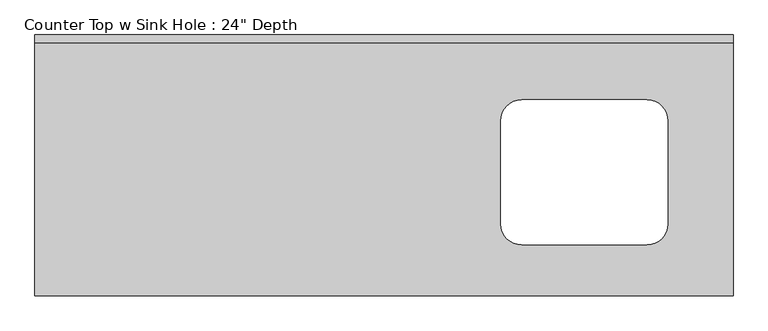
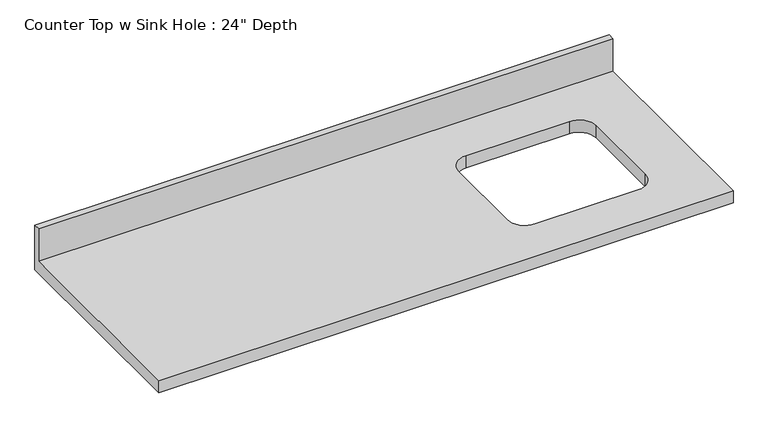
"""IFC4 building model written with IfcOpenShell, lengths in millimetres: furniture geometry."""

import ifcopenshell
import ifcopenshell.guid

model = None  # the IFC model being written
_history = None  # IfcOwnerHistory: only IFC2X3 demands one
_inside = {}  # id of a spatial element -> (the spatial element, [elements in it])
_under = {}  # id of a project, library or spatial element -> (it, [spatial elements below it])
_declared = {}  # id of a project -> (the project, [libraries it declares])
_typed = {}  # id of a type object -> (the type object, [elements of that type])
_made_of = {}  # id of a material, layer set ... -> (it, [elements and type objects made of it])


def new_model(schema):
    """Start an empty IFC model of exactly this schema.

    Asked for "IFC4X3", IfcOpenShell would pick the latest addendum, in which some entities
    have other attributes; the version numbers below select the first issue.
    IFC2X3 requires an IfcOwnerHistory on every rooted entity: one is made here for all.
    """
    global model, _history
    if schema == "IFC4X3":
        model = ifcopenshell.file(schema_version=(4, 3, 0, 0))
    else:
        model = ifcopenshell.file(schema=schema)
    _inside.clear()
    _under.clear()
    _declared.clear()
    _typed.clear()
    _made_of.clear()
    _history = None
    if model.schema == "IFC2X3":
        org = make("IfcOrganization", Name="unknown")
        user = make(
            "IfcPersonAndOrganization",
            ThePerson=make("IfcPerson", FamilyName="unknown"),
            TheOrganization=org,
        )
        app = make(
            "IfcApplication",
            ApplicationDeveloper=org,
            Version="unknown",
            ApplicationFullName="unknown",
            ApplicationIdentifier="unknown",
        )
        _history = make(
            "IfcOwnerHistory",
            OwningUser=user,
            OwningApplication=app,
            ChangeAction="ADDED",
            CreationDate=0,
        )
    return model


def make(cls, **values):
    """One entity of the class cls with the attributes given. An attribute that is None is left unset."""
    return model.create_entity(
        cls, **{name: value for name, value in values.items() if value is not None}
    )


def rooted(cls, **values):
    """An entity with a GlobalId (a new one), such as an element, a storey or a relation."""
    return make(cls, GlobalId=ifcopenshell.guid.new(), OwnerHistory=_history, **values)


def si_unit(unit_type, name, prefix=None):
    """IfcSIUnit, for example si_unit("LENGTHUNIT", "METRE", prefix="MILLI")."""
    return make("IfcSIUnit", UnitType=unit_type, Prefix=prefix, Name=name)


def assignment(units):
    """IfcUnitAssignment: the units of a project."""
    return None if units is None else make("IfcUnitAssignment", Units=units)


def point(xyz):
    """IfcCartesianPoint."""
    return None if xyz is None else make("IfcCartesianPoint", Coordinates=xyz)


def direction(xyz):
    """IfcDirection."""
    return None if xyz is None else make("IfcDirection", DirectionRatios=xyz)


def frame(location, z_axis=None, x_axis=None):
    """IfcAxis2Placement3D, a coordinate frame: its origin and axes. An axis left out is left unset."""
    return make(
        "IfcAxis2Placement3D",
        Location=point(location),
        Axis=direction(z_axis),
        RefDirection=direction(x_axis),
    )


def origin():
    """The frame at (0, 0, 0) with its axes left unset."""
    return frame((0.0, 0.0, 0.0))


def place(relative_to, where):
    """IfcLocalPlacement: puts the frame where relative to a parent placement (None: the world)."""
    return make(
        "IfcLocalPlacement", PlacementRelTo=relative_to, RelativePlacement=where
    )


def context(
    kind, dimensions, precision=None, world=None, true_north=None, identifier=None
):
    """IfcGeometricRepresentationContext, for example the 3D "Model" context."""
    return make(
        "IfcGeometricRepresentationContext",
        ContextIdentifier=identifier,
        ContextType=kind,
        CoordinateSpaceDimension=dimensions,
        Precision=precision,
        WorldCoordinateSystem=world,
        TrueNorth=true_north,
    )


def project(units=None, contexts=None):
    """IfcProject with its units and contexts."""
    return rooted(
        "IfcProject",
        Name="project",
        RepresentationContexts=contexts,
        UnitsInContext=assignment(units),
    )


def spatial(cls, under=None, at=None, **own):
    """A site, building, storey or space (cls), placed at a placement, below another one or the project."""
    s = rooted(cls, ObjectPlacement=at, **own)
    if under is not None:
        _under.setdefault(under.id(), (under, []))[1].append(s)
    return s


def polyline(points):
    """IfcPolyline through the points."""
    return make("IfcPolyline", Points=[point(p) for p in points])


def circle_curve(where, radius):
    """IfcCircle in the frame where."""
    return make("IfcCircle", Position=where, Radius=radius)


def shape(context_of_items, identifier, shape_type, items):
    """IfcShapeRepresentation: the items that make up one representation, for example the "Body"."""
    return make(
        "IfcShapeRepresentation",
        ContextOfItems=context_of_items,
        RepresentationIdentifier=identifier,
        RepresentationType=shape_type,
        Items=items,
    )


def source(mapping_origin, context_of_items, identifier, shape_type, items):
    """IfcRepresentationMap: a shape defined once, which mapped items show again and again."""
    return make(
        "IfcRepresentationMap",
        MappingOrigin=mapping_origin,
        MappedRepresentation=shape(context_of_items, identifier, shape_type, items),
    )


def transform(
    local_origin,
    x_axis=None,
    y_axis=None,
    z_axis=None,
    scale=None,
    scale2=None,
    scale3=None,
    uniform=True,
):
    """IfcCartesianTransformationOperator3D, or its non-uniform kind. x_axis, y_axis, z_axis: its Axis1, 2, 3."""
    if uniform:
        return make(
            "IfcCartesianTransformationOperator3D",
            Axis1=direction(x_axis),
            Axis2=direction(y_axis),
            LocalOrigin=point(local_origin),
            Scale=scale,
            Axis3=direction(z_axis),
        )
    return make(
        "IfcCartesianTransformationOperator3DnonUniform",
        Axis1=direction(x_axis),
        Axis2=direction(y_axis),
        LocalOrigin=point(local_origin),
        Scale=scale,
        Axis3=direction(z_axis),
        Scale2=scale2,
        Scale3=scale3,
    )


def mapped(mapping_source, mapping_target):
    """IfcMappedItem: shows the shape of a source again, moved by a transform."""
    return make(
        "IfcMappedItem", MappingSource=mapping_source, MappingTarget=mapping_target
    )


def made_of(thing, what):
    """Note that an element or type object is made of a material, layer set ...; save() writes the relation."""
    if what is not None:
        _made_of.setdefault(what.id(), (what, []))[1].append(thing)
    return thing


def element(
    cls,
    number,
    at=None,
    inside=None,
    cuts=None,
    type_object=None,
    material=None,
    context=None,
    identifier="Body",
    shape_type=None,
    held_by="IfcProductDefinitionShape",
    body=None,
    shapes=None,
    **own,
):
    """One element of the class cls, such as IfcWall. Its Tag is "e" and its number.

    at: its placement. inside: the storey or other place that contains it. cuts: it is an
    opening in that element (IfcRelVoidsElement). A single representation is given by context,
    identifier, shape_type and body (its items); several are given by shapes. held_by: the class
    of the entity that holds the representations. save() writes the other relations.
    """
    e = rooted(cls, Tag="e%d" % number, ObjectPlacement=at, **own)
    if body is not None:
        shapes = [shape(context, identifier, shape_type, body)]
    if shapes is not None:
        e.Representation = make(held_by, Representations=shapes)
    if inside is not None:
        _inside.setdefault(inside.id(), (inside, []))[1].append(e)
    if cuts is not None:
        rooted(
            "IfcRelVoidsElement", RelatingBuildingElement=cuts, RelatedOpeningElement=e
        )
    if type_object is not None:
        _typed.setdefault(type_object.id(), (type_object, []))[1].append(e)
    return made_of(e, material)


def aggregate(whole, parts):
    """IfcRelAggregates: a whole, such as a stair, and the parts it consists of."""
    return rooted("IfcRelAggregates", RelatingObject=whole, RelatedObjects=parts)


def save(model, path):
    """Write the relations noted so far, then the file.

    IfcRelAggregates (storeys below a building ...), IfcRelContainedInSpatialStructure (elements
    in a storey), IfcRelDefinesByType, IfcRelAssociatesMaterial and IfcRelDeclares: one each for
    every whole, place, type object, material and project.
    """
    for whole, parts in _under.values():
        aggregate(whole, parts)
    for where, things in _inside.values():
        rooted(
            "IfcRelContainedInSpatialStructure",
            RelatedElements=things,
            RelatingStructure=where,
        )
    for kind, things in _typed.values():
        rooted("IfcRelDefinesByType", RelatedObjects=things, RelatingType=kind)
    for what, things in _made_of.values():
        rooted("IfcRelAssociatesMaterial", RelatedObjects=things, RelatingMaterial=what)
    for by, libraries in _declared.values():
        rooted("IfcRelDeclares", RelatingContext=by, RelatedDefinitions=libraries)
    model.write(path)


def plane_surface(at):
    """IfcPlane: the flat surface through the origin of the frame at, square to its z axis."""
    return make("IfcPlane", Position=at)


def revolved_surface(curve, axis_point, axis_direction):
    """IfcSurfaceOfRevolution: the curve turned about the line through axis_point along axis_direction."""
    return make(
        "IfcSurfaceOfRevolution",
        SweptCurve=make("IfcArbitraryOpenProfileDef", ProfileType="CURVE", Curve=curve),
        AxisPosition=make("IfcAxis1Placement", Location=point(axis_point), Axis=direction(axis_direction)),
    )


def advanced_brep(points, edges, surfaces, faces):
    """IfcAdvancedBrep: a solid bounded by faces that lie on surfaces and meet in shared edges.

    An edge is (start, end): straight between two places in points (the first is 0);
    or (start, end, curve); or (start, end, curve, False) where it runs against its curve.
    A face is (place in surfaces, loops), or (place, loops, False) where it looks against
    its surface's normal. A loop lists edges by number (the first is 1), with a minus sign
    where the edge is run from its end to its start. The first loop is the outer one.
    """
    corners = [point(p) for p in points]
    vertices = [make("IfcVertexPoint", VertexGeometry=c) for c in corners]
    made = []
    for start, end, *more in edges:
        made.append(
            make(
                "IfcEdgeCurve",
                EdgeStart=vertices[start],
                EdgeEnd=vertices[end],
                EdgeGeometry=more[0] if more else make("IfcPolyline", Points=[corners[start], corners[end]]),
                SameSense=more[1] if len(more) > 1 else True,
            )
        )
    hull = []
    for where, loops, *sense in faces:
        bounds = []
        for j, loop in enumerate(loops):
            ring = [make("IfcOrientedEdge", EdgeElement=made[abs(k) - 1], Orientation=k > 0) for k in loop]
            bounds.append(
                make(
                    "IfcFaceOuterBound" if j == 0 else "IfcFaceBound",
                    Bound=make("IfcEdgeLoop", EdgeList=ring),
                    Orientation=True,
                )
            )
        hull.append(make("IfcAdvancedFace", Bounds=bounds, FaceSurface=surfaces[where], SameSense=sense[0] if sense else True))
    return make("IfcAdvancedBrep", Outer=make("IfcClosedShell", CfsFaces=hull))


def furniture_a79c9d1e(model_context):
    return source(origin(), model_context, "Body", "AdvancedBrep", [
        advanced_brep(
        [(-1200.4622951, -635.0, 914.4), (498.1627049, -635.0, 914.4), (498.1627049, -19.05, 914.4), (-1200.4622951, -19.05, 914.4), (-16.1872951, -158.1017627, 914.4), (288.6127049, -158.1017627, 914.4), (339.4127049, -208.9017627, 914.4), (339.4127049, -459.8540342, 914.4), (288.6127049, -510.6540342, 914.4), (-16.1872951, -510.6540342, 914.4), (-66.9872951, -459.8540342, 914.4), (-66.9872951, -208.9017627, 914.4), (498.1627049, 0.0, 876.3), (498.1627049, -635.0, 876.3), (-1200.4622951, -635.0, 876.3), (-1200.4622951, 0.0, 876.3), (288.6127049, -158.1017627, 876.3), (-16.1872951, -158.1017627, 876.3), (-66.9872951, -208.9017627, 876.3), (-66.9872951, -459.8540342, 876.3), (-16.1872951, -510.6540342, 876.3), (288.6127049, -510.6540342, 876.3), (339.4127049, -459.8540342, 876.3), (339.4127049, -208.9017627, 876.3), (-1200.4622951, 0.0, 1016.0), (498.1627049, 0.0, 1016.0), (-1200.4622951, -19.05, 1016.0), (498.1627049, -19.05, 1016.0)],
        [
            (0, 1),
            (1, 2),
            (2, 3),
            (3, 0),
            (4, 5),
            (5, 6, circle_curve(frame((288.6127049, -208.9017627, 914.4), z_axis=(0.0, 0.0, -1.0), x_axis=(1.0, 0.0, 0.0)), 50.8)),
            (6, 7),
            (7, 8, circle_curve(frame((288.6127049, -459.8540342, 914.4), z_axis=(0.0, 0.0, -1.0), x_axis=(1.0, 0.0, 0.0)), 50.8)),
            (8, 9),
            (9, 10, circle_curve(frame((-16.1872951, -459.8540342, 914.4), z_axis=(0.0, 0.0, -1.0), x_axis=(1.0, 0.0, 0.0)), 50.8)),
            (10, 11),
            (11, 4, circle_curve(frame((-16.1872951, -208.9017627, 914.4), z_axis=(0.0, 0.0, -1.0), x_axis=(1.0, 0.0, 0.0)), 50.8)),
            (12, 13),
            (13, 14),
            (14, 15),
            (15, 12),
            (16, 17),
            (17, 18, circle_curve(frame((-16.1872951, -208.9017627, 876.3), z_axis=(0.0, 0.0, 1.0), x_axis=(1.0, 0.0, 0.0)), 50.8)),
            (18, 19),
            (19, 20, circle_curve(frame((-16.1872951, -459.8540342, 876.3), z_axis=(0.0, 0.0, 1.0), x_axis=(1.0, 0.0, 0.0)), 50.8)),
            (20, 21),
            (21, 22, circle_curve(frame((288.6127049, -459.8540342, 876.3), z_axis=(0.0, 0.0, 1.0), x_axis=(1.0, 0.0, 0.0)), 50.8)),
            (22, 23),
            (23, 16, circle_curve(frame((288.6127049, -208.9017627, 876.3), z_axis=(0.0, 0.0, 1.0), x_axis=(1.0, 0.0, 0.0)), 50.8)),
            (15, 24),
            (24, 25),
            (25, 12),
            (14, 0),
            (3, 26),
            (26, 24),
            (13, 1),
            (25, 27),
            (27, 2),
            (26, 27),
            (4, 17),
            (16, 5),
            (11, 18),
            (10, 19),
            (9, 20),
            (8, 21),
            (7, 22),
            (6, 23),
        ],
        [
            plane_surface(frame((-1200.4622951, 0.0, 914.4), z_axis=(0.0, 0.0, 1.0), x_axis=(-1.0, 0.0, 0.0))),
            plane_surface(frame((-1200.4622951, 0.0, 876.3), z_axis=(0.0, 0.0, -1.0), x_axis=(1.0, 0.0, 0.0))),
            plane_surface(frame((498.1627049, 0.0, 914.4), z_axis=(0.0, 1.0, 0.0), x_axis=(0.0, 0.0, -1.0))),
            plane_surface(frame((-1200.4622951, 0.0, 914.4), z_axis=(-1.0, 0.0, 0.0), x_axis=(0.0, 0.0, -1.0))),
            plane_surface(frame((-1200.4622951, -635.0, 914.4), z_axis=(0.0, -1.0, 0.0), x_axis=(0.0, 0.0, -1.0))),
            plane_surface(frame((498.1627049, -635.0, 914.4), z_axis=(1.0, 0.0, 0.0), x_axis=(0.0, 0.0, -1.0))),
            plane_surface(frame((-1200.4622951, 0.0, 1016.0), z_axis=(0.0, 0.0, 1.0), x_axis=(0.0, -1.0, 0.0))),
            plane_surface(frame((-1200.4622951, -19.05, 1016.0), z_axis=(0.0, -1.0, 0.0), x_axis=(0.0, 0.0, -1.0))),
            plane_surface(frame((288.6127049, -158.1017627, 914.4), z_axis=(0.0, -1.0, 0.0), x_axis=(0.0, 0.0, -1.0))),
            revolved_surface(polyline([(34.6127049, -208.9017627, 914.4), (34.6127049, -208.9017627, 876.3)]), (-16.1872951, -208.9017627, 876.3), (0.0, 0.0, 1.0)),
            plane_surface(frame((-66.9872951, -208.9017627, 914.4), z_axis=(1.0, 0.0, 0.0), x_axis=(0.0, 0.0, -1.0))),
            revolved_surface(polyline([(34.6127049, -459.8540342, 914.4), (34.6127049, -459.8540342, 876.3)]), (-16.1872951, -459.8540342, 876.3), (0.0, 0.0, 1.0)),
            plane_surface(frame((-16.1872951, -510.6540342, 914.4), z_axis=(0.0, 1.0, 0.0), x_axis=(0.0, 0.0, -1.0))),
            revolved_surface(polyline([(339.4127049, -459.8540342, 914.4), (339.4127049, -459.8540342, 876.3)]), (288.6127049, -459.8540342, 876.3), (0.0, 0.0, 1.0)),
            plane_surface(frame((339.4127049, -459.8540342, 914.4), z_axis=(-1.0, 0.0, 0.0), x_axis=(0.0, 0.0, -1.0))),
            revolved_surface(polyline([(339.4127049, -208.9017627, 914.4), (339.4127049, -208.9017627, 876.3)]), (288.6127049, -208.9017627, 876.3), (0.0, 0.0, 1.0)),
        ],
        [
            (0, [[1, 2, 3, 4], [5, 6, 7, 8, 9, 10, 11, 12]]),
            (1, [[13, 14, 15, 16], [17, 18, 19, 20, 21, 22, 23, 24]]),
            (2, [[-16, 25, 26, 27]]),
            (3, [[-15, 28, -4, 29, 30, -25]]),
            (4, [[-1, -28, -14, 31]]),
            (5, [[-13, -27, 32, 33, -2, -31]]),
            (6, [[-30, 34, -32, -26]]),
            (7, [[-34, -29, -3, -33]]),
            (8, [[35, -17, 36, -5]]),
            (9, [[-35, -12, 37, -18]]),
            (10, [[-37, -11, 38, -19]]),
            (11, [[-38, -10, 39, -20]]),
            (12, [[-39, -9, 40, -21]]),
            (13, [[-40, -8, 41, -22]]),
            (14, [[-41, -7, 42, -23]]),
            (15, [[-36, -24, -42, -6]]),
        ],
    ),
    ])


if __name__ == "__main__":
    model = new_model("IFC4")
    model_context = context("Model", 3, world=origin())
    ifc_project = project(units=[si_unit("LENGTHUNIT", "METRE", prefix="MILLI")], contexts=[model_context])
    site = spatial("IfcSite", under=ifc_project)
    building = spatial("IfcBuilding", under=site)
    placement = place(None, origin())
    furniture_shape = furniture_a79c9d1e(model_context)
    element("IfcFurniture", 1, ObjectType="Counter Top w Sink Hole : 24\" Depth", at=placement, inside=building, context=model_context, shape_type="MappedRepresentation", body=[
        mapped(furniture_shape, transform((0.0, 0.0, 0.0), x_axis=(1.0, 0.0, 0.0), y_axis=(0.0, 1.0, 0.0), z_axis=(0.0, 0.0, 1.0))),
    ])
    save(model, "model.ifc")
